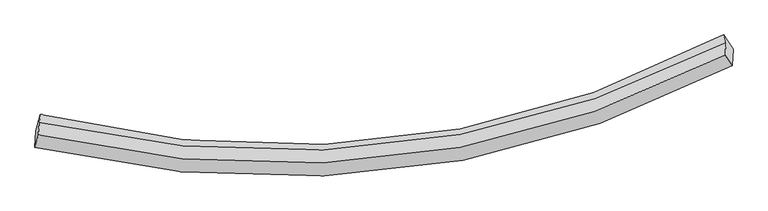
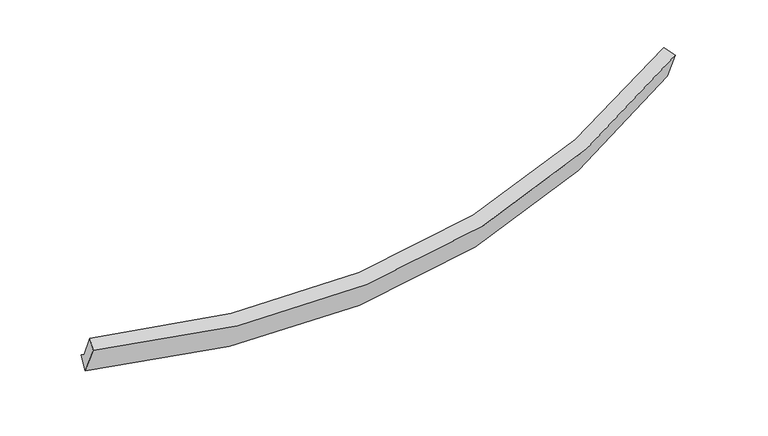
"""IFC4 building model written with IfcOpenShell, lengths in millimetres: proxy geometry."""

from ifc_helpers import new_model, si_unit, frame, origin, place, context, project, spatial, source, transform, mapped, element, save
from ifc_brep_helpers import plane_surface, spline_curve, spline_surface, advanced_brep


def generic_models_cb5d1ef7(model_context):
    return source(origin(), model_context, "Body", "AdvancedBrep", [
        advanced_brep(
        [(-5483.5619085, -2261.3559394, 1886.2993234), (-5471.8515251, -2034.5868805, 1405.9592772), (4219.5997108, -894.1841188, 2162.1281733), (4207.5552413, -1127.4226812, 2656.17186), (-5434.9944234, -2093.7562655, 1966.6073562), (4111.7065605, -980.1843009, 2723.34653), (-5425.9515769, -1918.6434865, 1595.6851467), (4120.7239356, -805.5647704, 2353.4691149), (-5406.5211847, -1809.1409115, 1513.9852766), (4088.0781415, -696.7108055, 2263.1079775), (-5449.2181339, -1956.4821781, 1443.3843798), (4150.6467288, -788.2616867, 2210.4532392)],
        [
            (0, 1),
            (1, 2, spline_curve(3, [(-5471.8515251, -2034.5868805, 1405.9592772), (-3406.773948502, -2515.089549166, 1235.164718909), (-1424.643906654, -2574.016014955, 1255.782363155), (1760.948821347, -1965.725677901, 1611.430511339), (3009.302524894, -1526.664958698, 1842.869165078), (4219.5997108, -894.1841188, 2162.1281733)], [4, 2, 4], [0.0, 19.532690158210194, 32.76314703400305])),
            (2, 3),
            (3, 0, spline_curve(3, [(4207.5552413, -1127.4226812, 2656.17186), (2997.26266709, -1759.814218601, 2336.723692849), (1748.929872615, -2198.470033727, 2104.427374003), (-1436.570717771, -2804.976149859, 1744.999907256), (-3418.610307336, -2744.29808741, 1720.672046487), (-5483.5619085, -2261.3559394, 1886.2993234)], [4, 2, 4], [0.0, 13.230456875792854, 32.76314703400305])),
            (4, 0),
            (3, 5),
            (5, 4, spline_curve(3, [(4111.7065605, -980.1843009, 2723.34653), (2916.964021513, -1595.551297935, 2412.314766785), (1685.751888162, -2022.95066136, 2185.750022239), (-1453.462671492, -2615.86571028, 1833.867336083), (-3404.484199185, -2559.657001504, 1808.185690058), (-5434.9944234, -2093.7562655, 1966.6073562)], [4, 2, 4], [0.0, 13.127551437406591, 32.50831788939381])),
            (6, 4),
            (5, 7),
            (7, 6, spline_curve(3, [(4120.7239356, -805.5647704, 2353.4691149), (2926.060045597, -1419.408752225, 2039.211316026), (1694.896185112, -1845.873315282, 1810.666485235), (-1444.27405333, -2437.930097153, 1456.96582667), (-3395.335364022, -2382.49177288, 1432.916001204), (-5425.9515769, -1918.6434865, 1595.6851467)], [4, 2, 4], [0.0, 13.024649051201393, 32.25349630303127])),
            (8, 6),
            (7, 9),
            (9, 8, spline_curve(3, [(4088.0781415, -696.7108055, 2263.1079775), (2905.465897919, -1328.621774115, 1939.664858677), (1684.317689337, -1765.822232575, 1706.114738156), (-1435.092184247, -2366.310479162, 1350.370455082), (-3378.810417445, -2299.920055917, 1334.213008449), (-5406.5211847, -1809.1409115, 1513.9852766)], [4, 2, 4], [0.0, 13.001029730925683, 32.195006768595604])),
            (10, 8),
            (9, 11),
            (11, 10, spline_curve(3, [(4150.6467288, -788.2616867, 2210.4532392), (2955.351490691, -1415.582055341, 1893.996233288), (1720.920009469, -1853.078305901, 1663.6355813), (-1432.870296182, -2466.399417612, 1306.387721935), (-3398.393768606, -2418.30999703, 1281.058754009), (-5449.2181339, -1956.4821781, 1443.3843798)], [4, 2, 4], [0.0, 13.0432535161491, 32.2995673364274])),
            (1, 10),
            (11, 2),
        ],
        [
            spline_surface(3, 3, [[(-5483.5619085, -2261.3559394, 1886.2993234), (-3418.610307059, -2744.298087364, 1720.672046589), (-1436.570717962, -2804.976149733, 1744.999906967), (1748.929872744, -2198.470033812, 2104.427374198), (2997.262666894, -1759.814218721, 2336.723692743), (4207.5552413, -1127.4226812, 2656.17186)], [(-5479.65844734, -2185.76625311, 1726.185974643), (-3414.664854223, -2667.895241295, 1558.836270584), (-1432.59511423, -2727.989438043, 1581.9273924), (1752.93618894, -2120.888581872, 1940.095086539), (3001.275952859, -1682.097798677, 2172.10551694), (4211.570064459, -1049.676493733, 2491.490631126)], [(-5475.75498626, -2110.17656679, 1566.072625957), (-3410.719401467, -2591.492395195, 1397.000494651), (-1428.619510443, -2651.002726415, 1418.85487786), (1756.94250519, -2043.307129996, 1775.762798905), (3005.289238847, -1604.381378634, 2007.487341059), (4215.584887641, -971.930306267, 2326.809402174)], [(-5471.8515251, -2034.5868805, 1405.9592772), (-3406.773948631, -2515.089549126, 1235.164718645), (-1424.643906711, -2574.016014725, 1255.782363293), (1760.948821386, -1965.725678057, 1611.430511246), (3009.302524813, -1526.664958591, 1842.869165255), (4219.5997108, -894.1841188, 2162.1281733)]], [4, 4], [4, 2, 4], [0.0, 1.7791581538884853], [0.0, 19.532690158210194, 32.76314703400305]),
            spline_surface(3, 3, [[(-5434.9944234, -2093.7562655, 1966.6073562), (-3404.484199102, -2559.657001384, 1808.185689815), (-1453.462671381, -2615.865710118, 1833.867336355), (1685.751888087, -2022.950661469, 2185.750022055), (2916.964021626, -1595.551297919, 2412.314766784), (4111.7065605, -980.1843009, 2723.34653)], [(-5451.183585098, -2149.62282345, 1939.838011941), (-3409.192901753, -2621.204030027, 1779.014475413), (-1447.832020245, -2678.902523322, 1804.244859881), (1706.811216303, -2081.457118916, 2158.642472758), (2943.730236707, -1650.305604856, 2387.117742085), (4143.656120759, -1029.263761003, 2700.954973314)], [(-5467.372746802, -2205.48938145, 1913.068667659), (-3413.901604408, -2682.751058721, 1749.84326099), (-1442.201369099, -2741.939336529, 1774.622383442), (1727.870544528, -2139.963576365, 2131.534923495), (2970.496451812, -1705.059911784, 2361.920717443), (4175.605681041, -1078.343221097, 2678.563416686)], [(-5483.5619085, -2261.3559394, 1886.2993234), (-3418.610307059, -2744.298087364, 1720.672046589), (-1436.570717962, -2804.976149733, 1744.999906967), (1748.929872744, -2198.470033812, 2104.427374198), (2997.262666894, -1759.814218721, 2336.723692743), (4207.5552413, -1127.4226812, 2656.17186)]], [4, 4], [4, 2, 4], [0.0, 0.6739769158273362], [0.0, 19.380766451987217, 32.50831788939381]),
            spline_surface(3, 3, [[(-5425.9515769, -1918.6434865, 1595.6851467), (-3395.335363846, -2382.4917729, 1432.916001495), (-1444.27405334, -2437.930097135, 1456.965826874), (1694.896185119, -1845.873315294, 1810.666485096), (2926.060045419, -1419.408752383, 2039.211315837), (4120.7239356, -805.5647704, 2353.4691149)], [(-5428.965859072, -1977.014412829, 1719.325883199), (-3398.384975604, -2441.546849056, 1558.005897601), (-1447.336926017, -2497.241968142, 1582.599663369), (1691.848086112, -1904.899097365, 1935.69433075), (2923.028037489, -1478.12293421, 2163.579132842), (4117.7181439, -863.771280549, 2476.761586623)], [(-5431.980141228, -2035.385339171, 1842.966619701), (-3401.434587345, -2500.601925227, 1683.09579371), (-1450.399798704, -2556.553839111, 1708.233499861), (1688.799987094, -1963.924879398, 2060.722176401), (2919.996029557, -1536.837116091, 2287.946949779), (4114.7123522, -921.977790751, 2600.054058277)], [(-5434.9944234, -2093.7562655, 1966.6073562), (-3404.484199102, -2559.657001384, 1808.185689815), (-1453.462671381, -2615.865710118, 1833.867336355), (1685.751888087, -2022.950661469, 2185.750022055), (2916.964021626, -1595.551297919, 2412.314766784), (4111.7065605, -980.1843009, 2723.34653)]], [4, 4], [4, 2, 4], [0.0, 1.3649620223173797], [0.0, 19.228847251829876, 32.25349630303127]),
            spline_surface(3, 3, [[(-5406.5211847, -1809.1409115, 1513.9852766), (-3378.810417756, -2299.92005566, 1334.213008296), (-1435.09218437, -2366.310478984, 1350.370454949), (1684.31768942, -1765.822232696, 1706.114738246), (2905.465898119, -1328.621774024, 1939.664858592), (4088.0781415, -696.7108055, 2263.1079775)], [(-5412.997982118, -1845.64176986, 1541.218566641), (-3384.318733137, -2327.443961434, 1367.114006037), (-1438.152807339, -2390.183685039, 1385.902245586), (1687.843854675, -1792.505926899, 1740.965320524), (2912.33061389, -1358.884100151, 1972.847011005), (4098.960072871, -732.995460474, 2293.228356631)], [(-5419.474779482, -1882.14262814, 1568.451856659), (-3389.827048464, -2354.967867126, 1400.015003755), (-1441.213430372, -2414.056891081, 1421.434036238), (1691.370019865, -1819.18962109, 1775.815902818), (2919.195329648, -1389.146426256, 2006.029163424), (4109.842004229, -769.280115426, 2323.348735769)], [(-5425.9515769, -1918.6434865, 1595.6851467), (-3395.335363846, -2382.4917729, 1432.916001495), (-1444.27405334, -2437.930097135, 1456.965826874), (1694.896185119, -1845.873315294, 1810.666485096), (2926.060045419, -1419.408752383, 2039.211315837), (4120.7239356, -805.5647704, 2353.4691149)]], [4, 4], [4, 2, 4], [0.0, 0.42500053590749104], [0.0, 19.19397703766992, 32.195006768595604]),
            spline_surface(3, 3, [[(-5449.2181339, -1956.4821781, 1443.3843798), (-3398.393768608, -2418.309996889, 1281.058754004), (-1432.870295879, -2466.399417298, 1306.387721959), (1720.920009264, -1853.078306113, 1663.635581284), (2955.351490722, -1415.58205527, 1893.996233144), (4150.6467288, -788.2616867, 2210.4532392)], [(-5434.985817475, -1907.368422543, 1466.918012059), (-3391.865984965, -2378.846683122, 1298.776838761), (-1433.610925396, -2433.036437863, 1321.048632966), (1708.719235963, -1823.99294831, 1677.795300281), (2938.722959847, -1386.595294854, 1909.219108278), (4129.790533026, -757.7447263, 2228.004818617)], [(-5420.753501125, -1858.254667057, 1490.451644341), (-3385.338201398, -2339.383369427, 1316.49492354), (-1434.351554853, -2399.67345842, 1335.709543943), (1696.518462722, -1794.907590499, 1691.955019248), (2922.094428994, -1357.608534439, 1924.441983459), (4108.934337274, -727.2277659, 2245.556398083)], [(-5406.5211847, -1809.1409115, 1513.9852766), (-3378.810417756, -2299.92005566, 1334.213008296), (-1435.09218437, -2366.310478984, 1350.370454949), (1684.31768942, -1765.822232696, 1706.114738246), (2905.465898119, -1328.621774024, 1939.664858592), (4088.0781415, -696.7108055, 2263.1079775)]], [4, 4], [4, 2, 4], [0.0, 0.3520685120152383], [0.0, 19.2563138202783, 32.2995673364274]),
            spline_surface(3, 3, [[(-5471.8515251, -2034.5868805, 1405.9592772), (-3406.773948631, -2515.089549126, 1235.164718645), (-1424.643906711, -2574.016014725, 1255.782363293), (1760.948821386, -1965.725678057, 1611.430511246), (3009.302524813, -1526.664958591, 1842.869165255), (4219.5997108, -894.1841188, 2162.1281733)], [(-5464.307061396, -2008.551979708, 1418.434311418), (-3403.980555319, -2482.829698388, 1250.462730449), (-1427.386036417, -2538.143815585, 1272.650816196), (1747.605884028, -1928.176554078, 1628.832201273), (2991.318846801, -1489.637324158, 1859.911521207), (4196.615383485, -858.876641441, 2178.236528589)], [(-5456.762597604, -1982.517078892, 1430.909345582), (-3401.187161919, -2450.569847627, 1265.7607422), (-1430.128166173, -2502.271616438, 1289.519269056), (1734.262946622, -1890.627430092, 1646.233891256), (2973.335168734, -1452.609689702, 1876.953877193), (4173.631056115, -823.569164059, 2194.344883911)], [(-5449.2181339, -1956.4821781, 1443.3843798), (-3398.393768608, -2418.309996889, 1281.058754004), (-1432.870295879, -2466.399417298, 1306.387721959), (1720.920009264, -1853.078306113, 1663.635581284), (2955.351490722, -1415.58205527, 1893.996233144), (4150.6467288, -788.2616867, 2210.4532392)]], [4, 4], [4, 2, 4], [0.0, 0.39772228349900784], [0.0, 19.443039114758484, 32.61277090585229]),
            plane_surface(frame((4149.7183864, -882.0547272, 2394.7794825), z_axis=(0.860138315263168, 0.45282908028335134, 0.23475072452704654), x_axis=(0.2248491376794551, -0.7497357871328942, 0.6223657403625501))),
            plane_surface(frame((-5444.5761237, -2023.4966967, 1673.707276), z_axis=(-0.9672571094086915, 0.23779981889715948, 0.08868444300338688), x_axis=(-0.022040679849579324, -0.42681302751297884, 0.9040712626651582))),
        ],
        [
            (0, [[1, 2, 3, 4]]),
            (1, [[5, -4, 6, 7]]),
            (2, [[8, -7, 9, 10]]),
            (3, [[11, -10, 12, 13]]),
            (4, [[14, -13, 15, 16]]),
            (5, [[17, -16, 18, -2]]),
            (6, [[-12, -9, -6, -3, -18, -15]]),
            (7, [[-1, -5, -8, -11, -14, -17]]),
        ],
    ),
    ])


if __name__ == "__main__":
    model = new_model("IFC4")
    model_context = context("Model", 3, world=origin())
    ifc_project = project(units=[si_unit("LENGTHUNIT", "METRE", prefix="MILLI")], contexts=[model_context])
    site = spatial("IfcSite", under=ifc_project)
    building = spatial("IfcBuilding", under=site)
    placement = place(None, origin())
    generic_models_shape = generic_models_cb5d1ef7(model_context)
    element("IfcBuildingElementProxy", 1, Name="Generic Models", at=placement, inside=building, context=model_context, shape_type="MappedRepresentation", body=[
        mapped(generic_models_shape, transform((0.0, 0.0, 0.0), x_axis=(1.0, 0.0, 0.0), y_axis=(0.0, 1.0, 0.0), z_axis=(0.0, 0.0, 1.0))),
    ])
    save(model, "model.ifc")
